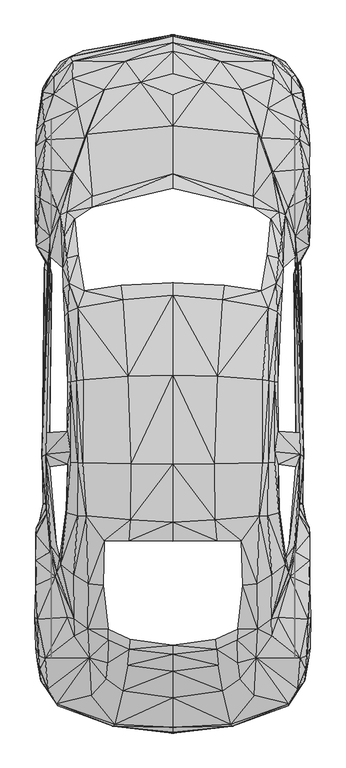
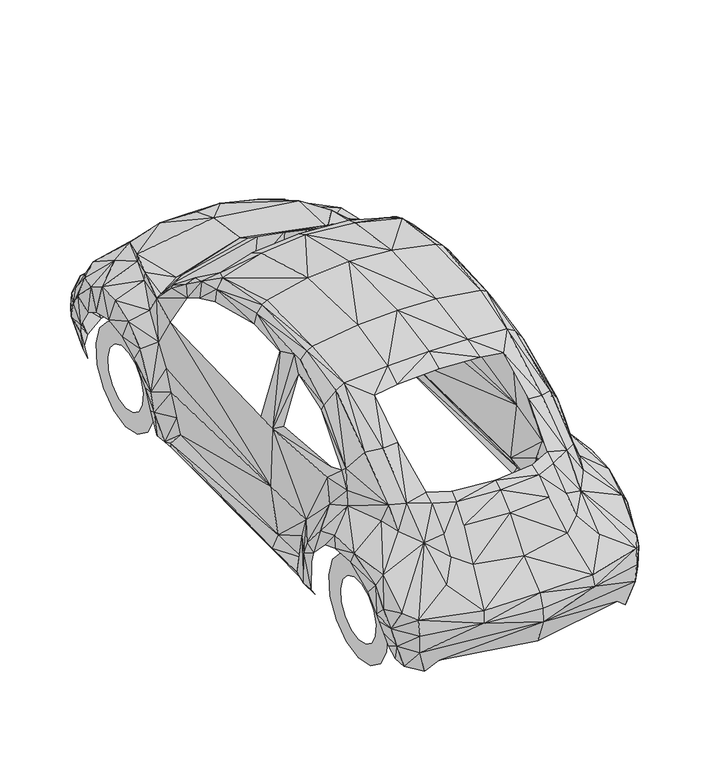
"""IFC4 building model written with IfcOpenShell, lengths in millimetres: proxy geometry."""

import ifcopenshell
import ifcopenshell.guid

model = None  # the IFC model being written
_history = None  # IfcOwnerHistory: only IFC2X3 demands one
_inside = {}  # id of a spatial element -> (the spatial element, [elements in it])
_under = {}  # id of a project, library or spatial element -> (it, [spatial elements below it])
_declared = {}  # id of a project -> (the project, [libraries it declares])
_typed = {}  # id of a type object -> (the type object, [elements of that type])
_made_of = {}  # id of a material, layer set ... -> (it, [elements and type objects made of it])


def new_model(schema):
    """Start an empty IFC model of exactly this schema.

    Asked for "IFC4X3", IfcOpenShell would pick the latest addendum, in which some entities
    have other attributes; the version numbers below select the first issue.
    IFC2X3 requires an IfcOwnerHistory on every rooted entity: one is made here for all.
    """
    global model, _history
    if schema == "IFC4X3":
        model = ifcopenshell.file(schema_version=(4, 3, 0, 0))
    else:
        model = ifcopenshell.file(schema=schema)
    _inside.clear()
    _under.clear()
    _declared.clear()
    _typed.clear()
    _made_of.clear()
    _history = None
    if model.schema == "IFC2X3":
        org = make("IfcOrganization", Name="unknown")
        user = make(
            "IfcPersonAndOrganization",
            ThePerson=make("IfcPerson", FamilyName="unknown"),
            TheOrganization=org,
        )
        app = make(
            "IfcApplication",
            ApplicationDeveloper=org,
            Version="unknown",
            ApplicationFullName="unknown",
            ApplicationIdentifier="unknown",
        )
        _history = make(
            "IfcOwnerHistory",
            OwningUser=user,
            OwningApplication=app,
            ChangeAction="ADDED",
            CreationDate=0,
        )
    return model


def make(cls, **values):
    """One entity of the class cls with the attributes given. An attribute that is None is left unset."""
    return model.create_entity(
        cls, **{name: value for name, value in values.items() if value is not None}
    )


def rooted(cls, **values):
    """An entity with a GlobalId (a new one), such as an element, a storey or a relation."""
    return make(cls, GlobalId=ifcopenshell.guid.new(), OwnerHistory=_history, **values)


def si_unit(unit_type, name, prefix=None):
    """IfcSIUnit, for example si_unit("LENGTHUNIT", "METRE", prefix="MILLI")."""
    return make("IfcSIUnit", UnitType=unit_type, Prefix=prefix, Name=name)


def assignment(units):
    """IfcUnitAssignment: the units of a project."""
    return None if units is None else make("IfcUnitAssignment", Units=units)


def point(xyz):
    """IfcCartesianPoint."""
    return None if xyz is None else make("IfcCartesianPoint", Coordinates=xyz)


def direction(xyz):
    """IfcDirection."""
    return None if xyz is None else make("IfcDirection", DirectionRatios=xyz)


def frame(location, z_axis=None, x_axis=None):
    """IfcAxis2Placement3D, a coordinate frame: its origin and axes. An axis left out is left unset."""
    return make(
        "IfcAxis2Placement3D",
        Location=point(location),
        Axis=direction(z_axis),
        RefDirection=direction(x_axis),
    )


def origin():
    """The frame at (0, 0, 0) with its axes left unset."""
    return frame((0.0, 0.0, 0.0))


def place(relative_to, where):
    """IfcLocalPlacement: puts the frame where relative to a parent placement (None: the world)."""
    return make(
        "IfcLocalPlacement", PlacementRelTo=relative_to, RelativePlacement=where
    )


def context(
    kind, dimensions, precision=None, world=None, true_north=None, identifier=None
):
    """IfcGeometricRepresentationContext, for example the 3D "Model" context."""
    return make(
        "IfcGeometricRepresentationContext",
        ContextIdentifier=identifier,
        ContextType=kind,
        CoordinateSpaceDimension=dimensions,
        Precision=precision,
        WorldCoordinateSystem=world,
        TrueNorth=true_north,
    )


def project(units=None, contexts=None):
    """IfcProject with its units and contexts."""
    return rooted(
        "IfcProject",
        Name="project",
        RepresentationContexts=contexts,
        UnitsInContext=assignment(units),
    )


def spatial(cls, under=None, at=None, **own):
    """A site, building, storey or space (cls), placed at a placement, below another one or the project."""
    s = rooted(cls, ObjectPlacement=at, **own)
    if under is not None:
        _under.setdefault(under.id(), (under, []))[1].append(s)
    return s


def point_list(points):
    """IfcCartesianPointList2D or 3D."""
    cls = (
        "IfcCartesianPointList2D" if len(points[0]) == 2 else "IfcCartesianPointList3D"
    )
    return make(cls, CoordList=points)


def triangles(points, corners, closed=None, point_numbers=None):
    """IfcTriangulatedFaceSet: each triangle names its three corners, points numbered from 1."""
    return make(
        "IfcTriangulatedFaceSet",
        Coordinates=point_list(points),
        Closed=closed,
        CoordIndex=corners,
        PnIndex=point_numbers,
    )


def shape(context_of_items, identifier, shape_type, items):
    """IfcShapeRepresentation: the items that make up one representation, for example the "Body"."""
    return make(
        "IfcShapeRepresentation",
        ContextOfItems=context_of_items,
        RepresentationIdentifier=identifier,
        RepresentationType=shape_type,
        Items=items,
    )


def source(mapping_origin, context_of_items, identifier, shape_type, items):
    """IfcRepresentationMap: a shape defined once, which mapped items show again and again."""
    return make(
        "IfcRepresentationMap",
        MappingOrigin=mapping_origin,
        MappedRepresentation=shape(context_of_items, identifier, shape_type, items),
    )


def transform(
    local_origin,
    x_axis=None,
    y_axis=None,
    z_axis=None,
    scale=None,
    scale2=None,
    scale3=None,
    uniform=True,
):
    """IfcCartesianTransformationOperator3D, or its non-uniform kind. x_axis, y_axis, z_axis: its Axis1, 2, 3."""
    if uniform:
        return make(
            "IfcCartesianTransformationOperator3D",
            Axis1=direction(x_axis),
            Axis2=direction(y_axis),
            LocalOrigin=point(local_origin),
            Scale=scale,
            Axis3=direction(z_axis),
        )
    return make(
        "IfcCartesianTransformationOperator3DnonUniform",
        Axis1=direction(x_axis),
        Axis2=direction(y_axis),
        LocalOrigin=point(local_origin),
        Scale=scale,
        Axis3=direction(z_axis),
        Scale2=scale2,
        Scale3=scale3,
    )


def mapped(mapping_source, mapping_target):
    """IfcMappedItem: shows the shape of a source again, moved by a transform."""
    return make(
        "IfcMappedItem", MappingSource=mapping_source, MappingTarget=mapping_target
    )


def made_of(thing, what):
    """Note that an element or type object is made of a material, layer set ...; save() writes the relation."""
    if what is not None:
        _made_of.setdefault(what.id(), (what, []))[1].append(thing)
    return thing


def element(
    cls,
    number,
    at=None,
    inside=None,
    cuts=None,
    type_object=None,
    material=None,
    context=None,
    identifier="Body",
    shape_type=None,
    held_by="IfcProductDefinitionShape",
    body=None,
    shapes=None,
    **own,
):
    """One element of the class cls, such as IfcWall. Its Tag is "e" and its number.

    at: its placement. inside: the storey or other place that contains it. cuts: it is an
    opening in that element (IfcRelVoidsElement). A single representation is given by context,
    identifier, shape_type and body (its items); several are given by shapes. held_by: the class
    of the entity that holds the representations. save() writes the other relations.
    """
    e = rooted(cls, Tag="e%d" % number, ObjectPlacement=at, **own)
    if body is not None:
        shapes = [shape(context, identifier, shape_type, body)]
    if shapes is not None:
        e.Representation = make(held_by, Representations=shapes)
    if inside is not None:
        _inside.setdefault(inside.id(), (inside, []))[1].append(e)
    if cuts is not None:
        rooted(
            "IfcRelVoidsElement", RelatingBuildingElement=cuts, RelatedOpeningElement=e
        )
    if type_object is not None:
        _typed.setdefault(type_object.id(), (type_object, []))[1].append(e)
    return made_of(e, material)


def aggregate(whole, parts):
    """IfcRelAggregates: a whole, such as a stair, and the parts it consists of."""
    return rooted("IfcRelAggregates", RelatingObject=whole, RelatedObjects=parts)


def save(model, path):
    """Write the relations noted so far, then the file.

    IfcRelAggregates (storeys below a building ...), IfcRelContainedInSpatialStructure (elements
    in a storey), IfcRelDefinesByType, IfcRelAssociatesMaterial and IfcRelDeclares: one each for
    every whole, place, type object, material and project.
    """
    for whole, parts in _under.values():
        aggregate(whole, parts)
    for where, things in _inside.values():
        rooted(
            "IfcRelContainedInSpatialStructure",
            RelatedElements=things,
            RelatingStructure=where,
        )
    for kind, things in _typed.values():
        rooted("IfcRelDefinesByType", RelatedObjects=things, RelatingType=kind)
    for what, things in _made_of.values():
        rooted("IfcRelAssociatesMaterial", RelatedObjects=things, RelatingMaterial=what)
    for by, libraries in _declared.values():
        rooted("IfcRelDeclares", RelatingContext=by, RelatedDefinitions=libraries)
    model.write(path)


def entourage_b6d71803(model_context):
    return source(origin(), model_context, "Body", "Tessellation", [
        triangles([(0.0, -749.071574, 521.742899), (0.0, -720.6335569, 604.033443), (0.0, -697.1470545, 283.3282728), (0.0, -553.0728908, 738.9057701), (0.0, -753.760096, 438.7513078), (0.0, -253.8386484, 1040.4185434), (0.0, -401.3744104, 922.0218458), (0.0, -305.0182643, 1012.9445663), (0.0, 339.5469707, 1396.6602436), (0.0, 448.9171117, 1443.1075539), (0.0, 778.6050184, 1505.0664173), (0.0, 1285.8879353, 1510.4998066), (0.0, 1742.2541199, 1403.2768456), (0.0, 2432.6093651, 967.8556761), (0.0, 3132.1224815, 632.4714237), (0.0, 3003.4724854, 772.0323092), (0.0, 2706.0784286, 929.3833151), (0.0, 3166.3445206, 220.3177475), (0.0, 2885.1195351, 859.3180424), (0.0, 3224.7104347, 396.0724085), (0.0, 3181.1549538, 556.1401817), (0.0, 3216.1220055, 530.6379956), (-338.407687, -715.988855, 523.3642027), (-331.2653541, -702.6243364, 593.8676027), (-244.8997318, -218.1706584, 1034.7659815), (-249.1500901, -276.1420835, 1003.6112698), (-257.9137267, -368.4231514, 912.4695219), (-249.2377301, 343.0524253, 1381.9373051), (-285.431542, -511.8838351, 760.9462852), (-240.2988317, 460.3974792, 1427.552108), (-236.6180971, 781.4093531, 1494.4185207), (-652.9344915, -590.6250681, 370.7455024), (-540.4532759, -593.7361791, 283.6349946), (-181.3633847, 2956.2803078, 806.8677555), (-253.3566466, 1279.4466133, 1497.179108), (-380.1225826, -444.6667534, 798.8051662), (-371.1837024, -353.5687892, 889.7717068), (-368.2478714, -222.3771967, 1004.1371098), (-368.6422514, -160.8126769, 1037.3951088), (-390.4198829, 343.0962453, 1359.9406826), (-282.758631, 1714.4296555, 1400.2533382), (-397.6060358, 87.5486986, 1216.1732225), (-463.4209502, -538.1309249, 705.2972111), (-271.6726434, 3074.4140854, 663.1441154), (-476.0843851, -323.2904411, 850.4230185), (-464.0343939, 3087.9975586, 214.4022838), (-482.5694544, 95.8303334, 1204.2108713), (-485.3738254, -159.4104914, 1005.7583771), (-569.1103566, 3073.5815781, 547.1136251), (-493.874542, 483.577278, 1392.2346416), (-583.6579788, 3101.4935371, 522.400199), (-510.6130915, 3134.4011215, 369.6500387), (-392.1287902, 2913.6012268, 783.2935404), (-656.7905062, -598.249421, 480.4223834), (-660.6903408, -585.2354261, 576.6470695), (-562.669071, -200.2052034, 880.3069502), (-560.43436, -101.5266881, 987.8367239), (-512.8040188, 786.711355, 1449.4173431), (-542.1621832, 485.1109417, 1360.7731899), (-564.3779783, 148.6750366, 1173.0999796), (-608.8972449, -561.6174273, 218.6088402), (-511.6209151, 1259.3779255, 1457.1731197), (-542.7756269, 785.2215477, 1431.62715), (-459.1705556, 2305.6242382, 949.6711029), (-601.448172, -92.8068806, 893.8030014), (-504.0842022, 1766.485635, 1321.8626289), (-546.4125415, 1253.8568962, 1442.4940739), (-603.419963, 501.4989312, 1279.4466133), (-580.5469042, 789.4281223, 1379.6588104), (-607.6265376, 520.2092717, 1235.979063), (-601.6672357, 965.9276688, 1337.9439148), (-712.9654203, -503.4269022, 590.8879881), (-543.0385468, 1671.1811325, 1362.0876446), (-490.9387473, 2659.6751564, 894.1096687), (-600.0459683, 778.6050184, 1308.1913704), (-598.468521, 1244.567347, 1344.6919041), (-640.008173, 208.2677382, 1063.2039986), (-680.8904886, -470.5194632, 218.8279221), (-538.8320086, 1968.0492039, 1181.3815962), (-581.3794478, 1249.0807343, 1402.7071129), (-644.9596149, 243.4537263, 1028.9820322), (-502.6819985, 2637.5907486, 866.5918716), (-661.1722881, 162.3463042, 955.8933249), (-690.7057325, -396.8611321, 226.9780968), (-559.5141764, 2176.4921494, 1011.849139), (-670.6370447, 140.9630437, 873.2960409), (-662.9250154, 324.5173285, 1010.1402317), (-615.5138105, 1624.5585423, 1262.9710201), (-595.0507064, 1647.2125374, 1322.1692963), (-589.8363444, 1810.8295853, 1270.2885967), (-729.3095535, -482.3065707, 373.4622334), (-752.0950087, -454.7449536, 476.8731088), (-694.5179272, 315.5346282, 958.4347395), (-727.0748789, -327.5407994, 736.0575428), (-623.3572271, 1778.4479862, 1193.6068674), (-565.0352783, 2447.3761963, 934.772957), (-732.2892408, -394.1444012, 324.3420848), (-571.3888876, 2445.9300636, 884.7764448), (-699.1188818, 280.0419, 808.1822828), (-604.6907066, 1951.091518, 1171.2596123), (-587.8206971, 3015.1281693, 200.2490234), (-691.4068525, 574.6314222, 283.8102746), (-750.7366613, -381.2618663, 397.2555121), (-627.9581818, 1897.5456585, 1125.469602), (-602.8941593, 2217.067725, 949.8025629), (-619.8517725, 2074.2206303, 1075.9989298), (-710.949773, 550.0056361, 448.9171117), (-765.2404999, -360.5796985, 467.8465522), (-699.9952091, 763.1372126, 1016.187101), (-763.8382599, -313.4313409, 671.3819847), (-758.3609779, -391.2086065, 565.0352783), (-717.9606823, 496.6350929, 583.9647188), (-723.2188643, 461.5367629, 181.1004829), (-718.1359623, 554.8256181, 180.0050374), (-771.9884892, -342.0446016, 511.3579951), (-574.3247186, 2977.4883156, 683.0814159), (-731.2813808, 376.1351443, 185.3070212), (-541.5487395, 2807.2984131, 783.4688204), (-640.183453, 2199.9349045, 944.8949409), (-739.4315374, 551.9336434, 222.5524767), (-782.1104731, -268.9559124, 609.6421486), (-772.8209965, -106.1275973, 756.4330433), (-722.2110043, 958.3909195, 967.6803961), (-703.8074038, 810.6798775, 292.5300731), (-725.3221516, 835.6124399, 965.0075214), (-758.2734106, 370.7893224, 225.6197495), (-785.8788477, -90.0025187, 695.9639145), (-780.1824657, 80.9759712, 676.0266867), (-779.9195457, 89.5643369, 755.1622633), (-760.9024652, 444.4038334, 223.2973804), (-778.6050184, 192.2302905, 631.3321764), (-659.0690735, 2238.6701855, 850.3353785), (-771.4626492, 345.7253363, 426.4822165), (-774.7051838, 315.3593482, 502.0247349), (-781.7160931, 232.4115588, 696.3582945), (-719.7134096, 810.6360575, 185.964303), (-690.3552452, 1860.1249775, 294.1075386), (-697.1470545, 1960.2056419, 957.0763922), (-780.2701057, 377.6249516, 532.7412829), (-778.6488384, 417.2804163, 440.0220151), (-746.0043194, 820.1446341, 614.0678232), (-678.173794, 2886.7845497, 671.0752447), (-698.0233818, 2078.8215122, 757.3970106), (-640.051993, 3071.2590454, 391.9535102), (-713.4911877, 1919.5424263, 537.0792812), (-718.6617296, 1911.1731697, 193.1066541), (-705.6477711, 1983.2978371, 648.7279896), (-731.2813808, 1892.3751892, 233.5070043), (-674.4492393, 2909.8331429, 198.8030179), (-727.3815462, 2040.3052586, 190.0832013), (-722.1233643, 1974.7095531, 190.0832013), (-678.6557413, 2984.5867195, 540.8914395), (-700.0828491, 2817.5957497, 206.339749), (-696.8403145, 2993.6132034, 517.7554607), (-724.1390116, 2626.4609047, 788.1135223), (-699.5570091, 1883.7430126, 390.6389465), (-765.4157072, 2043.5477932, 362.8144094), (-742.2797647, 2459.3385475, 809.2338902), (-716.646155, 2967.1470863, 449.8372953), (-766.9494072, 2002.4902702, 376.836228), (-732.0701408, 2726.2786491, 728.1264862), (-771.6817492, 2086.0077015, 482.5694544), (-759.6317579, 2292.9609123, 780.6206657), (-769.5346418, 2144.7677776, 699.5131891), (-778.0791784, 2024.2239727, 495.1452856), (-742.9808121, 2848.7944267, 602.2807157), (-782.6363131, 2187.1400459, 616.8721579), (-740.0450174, 2920.3932541, 427.6653202), (-741.6224648, 2898.4841263, 520.1654517), (-750.9119413, 2806.3345184, 398.3509395), (-782.7677004, 2314.7385075, 681.1972286), (-778.6050184, 2464.4652695, 693.9921598), (-760.4204453, 2788.5004326, 455.5336773), (-774.7051838, 2684.6515388, 603.0694393), (-780.8835857, 2591.1871857, 666.7810301), (-743.1122721, 809.6720901, 220.5368294), (0.0, 2350.6693085, 1011.849139), (-459.1705556, 2241.4745201, 1007.2920044), (0.0, 1813.2396126, 1369.1424465), (-294.1513586, 1797.0267941, 1360.0720699), (-580.6345442, 850.2915585, 1382.7260651), (338.407687, -715.988855, 523.3642027), (331.2653541, -702.6243364, 593.8676027), (244.8997318, -218.1706584, 1034.7659815), (249.1500901, -276.1420835, 1003.6112698), (257.9137267, -368.4231514, 912.4695219), (249.2377301, 343.0524253, 1381.9373051), (285.431542, -511.8838351, 760.9462852), (240.2988317, 460.3974792, 1427.552108), (236.6180971, 781.4093531, 1494.4185207), (652.9344915, -590.6250681, 370.7455024), (540.4532759, -593.7361791, 283.6349946), (181.3633847, 2956.2803078, 806.8677555), (253.3566466, 1279.4466133, 1497.179108), (380.1225826, -444.6667534, 798.8051662), (371.1837024, -353.5687892, 889.7717068), (368.2478714, -222.3771967, 1004.1371098), (368.6422514, -160.8126769, 1037.3951088), (390.4198829, 343.0962453, 1359.9406826), (282.758631, 1714.4296555, 1400.2533382), (397.6060358, 87.5486986, 1216.1732225), (463.4209502, -538.1309249, 705.2972111), (271.6726434, 3074.4140854, 663.1441154), (476.0843851, -323.2904411, 850.4230185), (464.0343939, 3087.9975586, 214.4022838), (482.5694544, 95.8303334, 1204.2108713), (485.3738254, -159.4104914, 1005.7583771), (569.1103566, 3073.5815781, 547.1136251), (493.874542, 483.577278, 1392.2346416), (583.6579788, 3101.4935371, 522.400199), (510.6130915, 3134.4011215, 369.6500387), (392.1287902, 2913.6012268, 783.2935404), (656.7905062, -598.249421, 480.4223834), (660.6903408, -585.2354261, 576.6470695), (562.669071, -200.2052034, 880.3069502), (560.43436, -101.5266881, 987.8367239), (512.8040188, 786.711355, 1449.4173431), (542.1621832, 485.1109417, 1360.7731899), (564.3779783, 148.6750366, 1173.0999796), (608.8972449, -561.6174273, 218.6088402), (511.6209151, 1259.3779255, 1457.1731197), (542.7756269, 785.2215477, 1431.62715), (459.1705556, 2305.6242382, 949.6711029), (601.448172, -92.8068806, 893.8030014), (504.0842022, 1766.485635, 1321.8626289), (546.4125415, 1253.8568962, 1442.4940739), (603.419963, 501.4989312, 1279.4466133), (580.5469042, 789.4281223, 1379.6588104), (607.6265376, 520.2092717, 1235.979063), (601.6672357, 965.9276688, 1337.9439148), (712.9654203, -503.4269022, 590.8879881), (543.0385468, 1671.1811325, 1362.0876446), (490.9387473, 2659.6751564, 894.1096687), (600.0459683, 778.6050184, 1308.1913704), (598.468521, 1244.567347, 1344.6919041), (640.008173, 208.2677382, 1063.2039986), (680.9343086, -470.5194632, 218.8279221), (538.8320086, 1968.0492039, 1181.3815962), (581.3794478, 1249.0807343, 1402.7071129), (644.9596149, 243.4537263, 1028.9820322), (502.6819985, 2637.5907486, 866.5918716), (661.1722881, 162.3463042, 955.8933249), (690.7057325, -396.8611321, 226.9780968), (559.5141764, 2176.4921494, 1011.849139), (670.6370447, 140.9630437, 873.2960409), (662.9250154, 324.5173285, 1010.1402317), (615.5138105, 1624.5585423, 1262.9710201), (595.0507064, 1647.2125374, 1322.1692963), (589.8363444, 1810.8295853, 1270.2885967), (729.3095535, -482.3065707, 373.4622334), (752.0950087, -454.7449536, 476.8731088), (694.5179272, 315.5346282, 958.4347395), (727.0748789, -327.5407994, 736.0575428), (623.3572271, 1778.4479862, 1193.6068674), (565.0352783, 2447.3761963, 934.772957), (732.2892408, -394.1444012, 324.3420848), (571.3888876, 2445.9300636, 884.7764448), (699.1188818, 280.0419, 808.1822828), (604.6907066, 1951.091518, 1171.2596123), (587.8206971, 3015.1281693, 200.2490234), (691.4068525, 574.6314222, 283.8102746), (750.7366613, -381.2618663, 397.2555121), (627.9581818, 1897.5456585, 1125.469602), (602.8941593, 2217.067725, 949.8025629), (619.8517725, 2074.2206303, 1075.9989298), (710.949773, 550.0056361, 448.9171117), (765.2404999, -360.5796985, 467.8465522), (699.9952091, 763.1372126, 1016.187101), (763.8382599, -313.4313409, 671.3819847), (758.3609779, -391.2086065, 565.0352783), (717.9606823, 496.6350929, 583.9647188), (723.2188643, 461.5367629, 181.1004829), (718.1359623, 554.8256181, 180.0050374), (771.9884892, -342.0446016, 511.3579951), (574.3247186, 2977.4883156, 683.0814159), (731.2813808, 376.1351443, 185.3070212), (541.5487395, 2807.2984131, 783.4688204), (640.183453, 2199.9349045, 944.8949409), (739.4315374, 551.9336434, 222.5524767), (782.1104731, -268.9559124, 609.6421486), (772.8209965, -106.1275973, 756.4330433), (722.2548243, 958.3909195, 967.6803961), (703.8074038, 810.6798775, 292.5300731), (725.3221516, 835.6124399, 965.0075214), (758.2734106, 370.7893224, 225.6197495), (785.8788477, -90.0025187, 695.9639145), (780.1824657, 80.9759712, 676.0266867), (779.9633657, 89.5643369, 755.1622633), (760.9024652, 444.4038334, 223.2973804), (778.6050184, 192.2302905, 631.3321764), (659.0690735, 2238.6701855, 850.3353785), (771.4626492, 345.7253363, 426.4822165), (774.7051838, 315.3593482, 502.0247349), (781.7160931, 232.4115588, 696.3582945), (719.7134096, 810.6360575, 185.964303), (690.3552452, 1860.1249775, 294.1075386), (697.1470545, 1960.2056419, 957.0763922), (780.2701057, 377.6249516, 532.7412829), (778.6488384, 417.2804163, 440.0220151), (746.0043194, 820.1446341, 614.0678232), (678.173794, 2886.7845497, 671.0752447), (698.0233818, 2078.8215122, 757.3970106), (640.051993, 3071.2590454, 391.9535102), (713.4911877, 1919.5424263, 537.0792812), (718.6617296, 1911.1731697, 193.1066541), (705.6477711, 1983.2978371, 648.7279896), (731.2813808, 1892.3751892, 233.5070043), (674.4492393, 2909.8331429, 198.8030179), (727.3815462, 2040.3052586, 190.0832013), (722.1233643, 1974.7095531, 190.0832013), (678.6557413, 2984.5867195, 540.8914395), (700.0828491, 2817.5957497, 206.339749), (696.8403145, 2993.6132034, 517.7554607), (724.1390116, 2626.4609047, 788.1135223), (699.5570091, 1883.7430126, 390.6389465), (765.4157072, 2043.5477932, 362.8144094), (742.2797647, 2459.3385475, 809.2338902), (716.646155, 2967.1470863, 449.8372953), (766.9494072, 2002.4902702, 376.836228), (732.0701408, 2726.2786491, 728.1264862), (771.7255692, 2086.0077015, 482.5694544), (759.6317579, 2292.9609123, 780.6206657), (769.5346418, 2144.7677776, 699.5131891), (778.0791784, 2024.2239727, 495.1452856), (742.9808121, 2848.7944267, 602.2807157), (782.6363131, 2187.1400459, 616.8721579), (740.0450174, 2920.3932541, 427.6653202), (741.6224648, 2898.4841263, 520.1654517), (750.9119413, 2806.3345184, 398.3509395), (782.7677004, 2314.7385075, 681.1972286), (778.6050184, 2464.4652695, 693.9921598), (760.4204453, 2788.5004326, 455.5336773), (774.7051838, 2684.6515388, 603.0694393), (780.8835857, 2591.1871857, 666.7810301), (743.1122721, 809.6720901, 220.5368294), (459.1705556, 2241.4745201, 1007.2920044), (294.1513586, 1797.0267941, 1360.0720699), (580.6345442, 850.2915585, 1382.7260651), (-693.6415998, 2431.9082451, 0.0015117), (-693.6415998, 2431.9082451, 117.9161946), (-693.6415998, 2558.8496246, 26.9935036), (-693.6415998, 2509.4663017, 134.3918332), (-693.6415998, 2663.794091, 103.2371124), (-693.6415998, 2573.6600578, 181.0143508), (-693.6415998, 2728.6886765, 215.6307153), (-693.6415998, 2613.3154861, 249.7212399), (-693.6415998, 2742.2724403, 344.6752187), (-693.6415998, 2621.5972481, 328.5939328), (-693.6415998, 2702.1786667, 468.1109982), (-693.6415998, 2597.102813, 404.0050275), (-693.6415998, 2615.3310608, 564.5109644), (-693.6415998, 2544.0389008, 462.9404563), (-693.6415998, 2496.8028305, 617.3118113), (-693.6415998, 2471.5636734, 495.2344517), (-693.6415998, 2367.0135143, 617.3118113), (-693.6415998, 2392.2528168, 495.2344517), (-693.6415998, 2248.4854294, 564.5109644), (-693.6415998, 2319.7775894, 462.9404563), (-693.6415998, 2161.6378235, 468.1109982), (-693.6415998, 2266.7138226, 404.0050275), (-693.6415998, 2121.5441952, 344.6752187), (-693.6415998, 2242.2193874, 328.5939328), (-693.6415998, 2135.1278137, 215.6307153), (-693.6415998, 2250.501004, 249.7212399), (-693.6415998, 2200.0225445, 103.2371124), (-693.6415998, 2290.1564323, 181.0143508), (-693.6415998, 2304.9670109, 26.9935036), (-693.6415998, 2354.3500431, 134.3918332), (693.6415998, 2431.9082451, 0.0015117), (693.6415998, 2431.9082451, 117.9161946), (693.6415998, 2304.9670109, 26.9935036), (693.6415998, 2354.3500431, 134.3918332), (693.6415998, 2200.0225445, 103.2371124), (693.6415998, 2290.1564323, 181.0143508), (693.6415998, 2135.1278137, 215.6307153), (693.6415998, 2250.501004, 249.7212399), (693.6415998, 2121.5441952, 344.6752187), (693.6415998, 2242.2193874, 328.5939328), (693.6415998, 2161.6378235, 468.1109982), (693.6415998, 2266.7138226, 404.0050275), (693.6415998, 2248.4854294, 564.5109644), (693.6415998, 2319.7775894, 462.9404563), (693.6415998, 2367.0135143, 617.3118113), (693.6415998, 2392.2528168, 495.2344517), (693.6415998, 2496.8028305, 617.3118113), (693.6415998, 2471.5636734, 495.2344517), (693.6415998, 2615.3310608, 564.5109644), (693.6415998, 2544.0389008, 462.9404563), (693.6415998, 2702.1786667, 468.1109982), (693.6415998, 2597.102813, 404.0050275), (693.6415998, 2742.2724403, 344.6752187), (693.6415998, 2621.5972481, 328.5939328), (693.6415998, 2728.6886765, 215.6307153), (693.6415998, 2613.3154861, 249.7212399), (693.6415998, 2663.794091, 103.2371124), (693.6415998, 2573.6600578, 181.0143508), (693.6415998, 2558.8496246, 26.9935036), (693.6415998, 2509.4663017, 134.3918332), (-693.6415998, -13.5836322, 0.0015117), (-693.6415998, -13.5836322, 117.9161946), (-693.6415998, 113.3575975, 26.9935036), (-693.6415998, 63.9745244, 134.3918332), (-693.6415998, 218.3021002, 103.2371124), (-693.6415998, 128.1681397, 181.0143508), (-693.6415998, 283.1968128, 215.6307153), (-693.6415998, 167.8235862, 249.7212399), (-693.6415998, 296.7804495, 344.6752187), (-693.6415998, 176.1052209, 328.5939328), (-693.6415998, 256.6868212, 468.1109982), (-693.6415998, 151.6108585, 404.0050275), (-693.6415998, 169.8392153, 564.5109644), (-693.6415998, 98.5470553, 462.9404563), (-693.6415998, 51.3110713, 617.3118113), (-693.6415998, 26.0718098, 495.2344517), (-693.6415998, -78.4783402, 617.3118113), (-693.6415998, -53.2390741, 495.2344517), (-693.6415998, -197.0064706, 564.5109644), (-693.6415998, -125.7143196, 462.9404563), (-693.6415998, -283.8540765, 468.1109982), (-693.6415998, -178.7781137, 404.0050275), (-693.6415998, -323.9477048, 344.6752187), (-693.6415998, -203.2724762, 328.5939328), (-693.6415998, -310.3640862, 215.6307153), (-693.6415998, -194.9908414, 249.7212399), (-693.6415998, -245.4693737, 103.2371124), (-693.6415998, -155.335395, 181.0143508), (-693.6415998, -140.5248618, 26.9935036), (-693.6415998, -91.1417842, 134.3918332), (693.6415998, -13.5836322, 0.0015117), (693.6415998, -13.5836322, 117.9161946), (693.6415998, -140.5248618, 26.9935036), (693.6415998, -91.1417842, 134.3918332), (693.6415998, -245.4693737, 103.2371124), (693.6415998, -155.335395, 181.0143508), (693.6415998, -310.3640862, 215.6307153), (693.6415998, -194.9908414, 249.7212399), (693.6415998, -323.9477048, 344.6752187), (693.6415998, -203.2724762, 328.5939328), (693.6415998, -283.8540765, 468.1109982), (693.6415998, -178.7781137, 404.0050275), (693.6415998, -197.0064706, 564.5109644), (693.6415998, -125.7143196, 462.9404563), (693.6415998, -78.4783402, 617.3118113), (693.6415998, -53.2390741, 495.2344517), (693.6415998, 51.3110713, 617.3118113), (693.6415998, 26.0718098, 495.2344517), (693.6415998, 169.8392153, 564.5109644), (693.6415998, 98.5470553, 462.9404563), (693.6415998, 256.6868212, 468.1109982), (693.6415998, 151.6108585, 404.0050275), (693.6415998, 296.7804495, 344.6752187), (693.6415998, 176.1052209, 328.5939328), (693.6415998, 283.1968128, 215.6307153), (693.6415998, 167.8235862, 249.7212399), (693.6415998, 218.3021002, 103.2371124), (693.6415998, 128.1681397, 181.0143508), (693.6415998, 113.3575975, 26.9935036), (693.6415998, 63.9745244, 134.3918332)], [[67, 58, 62], [67, 63, 58], [53, 82, 74], [34, 17, 19], [118, 82, 53], [155, 98, 82], [155, 158, 98], [34, 74, 17], [172, 155, 175], [172, 158, 155], [159, 168, 169], [166, 142, 169], [175, 161, 174], [175, 155, 161], [142, 152, 169], [154, 169, 152], [160, 145, 165], [160, 156, 145], [162, 160, 165], [162, 157, 160], [34, 53, 74], [74, 96, 64], [82, 96, 74], [82, 98, 96], [36, 29, 27], [29, 43, 24], [23, 55, 54], [23, 24, 55], [23, 2, 24], [23, 1, 2], [5, 1, 23], [134, 140, 133], [134, 139, 140], [117, 130, 113], [117, 126, 130], [113, 120, 114], [113, 130, 120], [140, 112, 107], [140, 139, 112], [92, 108, 103], [91, 103, 97], [91, 92, 103], [61, 33, 32], [84, 78, 91], [84, 91, 97], [38, 26, 25], [77, 81, 83], [63, 50, 58], [63, 59, 50], [68, 63, 69], [68, 59, 63], [181, 75, 69], [74, 64, 17], [64, 14, 17], [64, 178, 14], [178, 177, 14], [34, 19, 16], [53, 34, 44], [21, 44, 15], [21, 49, 44], [44, 34, 15], [34, 16, 15], [22, 49, 21], [22, 51, 49], [20, 51, 22], [20, 52, 51], [18, 52, 20], [18, 46, 52], [51, 152, 49], [51, 154, 152], [101, 144, 46], [144, 52, 46], [101, 159, 144], [159, 169, 154], [101, 168, 159], [101, 149, 168], [149, 170, 168], [149, 153, 170], [168, 173, 169], [168, 170, 173], [49, 142, 116], [49, 152, 142], [49, 116, 44], [116, 142, 118], [161, 155, 118], [155, 82, 118], [142, 161, 118], [158, 132, 98], [158, 163, 132], [172, 163, 158], [172, 171, 163], [98, 119, 96], [98, 132, 119], [171, 164, 163], [171, 167, 164], [163, 143, 132], [163, 164, 143], [96, 105, 64], [96, 119, 105], [105, 178, 64], [105, 85, 178], [167, 165, 164], [167, 162, 165], [165, 143, 164], [165, 147, 143], [150, 160, 157], [150, 151, 160], [151, 156, 160], [151, 148, 137], [13, 35, 12], [13, 41, 35], [12, 31, 11], [12, 35, 31], [35, 58, 31], [35, 62, 58], [11, 30, 10], [11, 31, 30], [31, 50, 30], [31, 58, 50], [10, 28, 9], [10, 30, 28], [30, 40, 28], [30, 50, 40], [125, 75, 181], [125, 109, 75], [125, 87, 109], [125, 93, 87], [123, 141, 125], [137, 141, 156], [137, 124, 141], [148, 124, 137], [148, 176, 124], [146, 176, 148], [146, 136, 176], [141, 112, 125], [112, 93, 125], [112, 99, 93], [124, 112, 141], [124, 107, 112], [124, 102, 107], [176, 102, 124], [176, 120, 102], [136, 120, 176], [136, 114, 120], [47, 40, 50], [47, 42, 40], [48, 42, 47], [48, 39, 42], [57, 47, 60], [57, 48, 47], [60, 50, 59], [60, 47, 50], [59, 77, 60], [59, 68, 77], [77, 57, 60], [77, 83, 57], [70, 77, 68], [70, 81, 77], [75, 68, 69], [75, 70, 68], [26, 6, 25], [26, 8, 6], [27, 8, 26], [27, 7, 8], [29, 7, 27], [29, 4, 7], [24, 4, 29], [24, 2, 4], [32, 5, 23], [33, 5, 32], [33, 3, 5], [32, 23, 54], [55, 45, 72], [55, 24, 43], [99, 83, 93], [99, 86, 83], [135, 86, 99], [135, 129, 86], [131, 129, 135], [131, 128, 129], [93, 81, 87], [93, 83, 81], [128, 122, 129], [128, 127, 122], [122, 86, 129], [122, 65, 86], [86, 57, 83], [86, 65, 57], [127, 110, 122], [127, 121, 110], [110, 94, 122], [122, 94, 65], [94, 56, 65], [56, 57, 65], [56, 48, 57], [56, 45, 48], [94, 45, 56], [115, 110, 121], [115, 111, 110], [111, 94, 110], [111, 72, 94], [108, 92, 115], [92, 111, 115], [78, 32, 91], [78, 61, 32], [45, 38, 48], [45, 37, 38], [37, 26, 38], [37, 27, 26], [36, 27, 37], [134, 135, 139], [134, 131, 135], [139, 99, 112], [139, 135, 99], [126, 140, 130], [126, 133, 140], [130, 107, 120], [130, 140, 107], [120, 107, 102], [45, 36, 37], [92, 55, 72], [92, 54, 55], [91, 54, 92], [91, 32, 54], [92, 72, 111], [72, 45, 94], [43, 45, 55], [43, 36, 45], [43, 29, 36], [79, 90, 66], [79, 100, 90], [90, 73, 66], [85, 100, 79], [85, 106, 100], [85, 105, 106], [105, 119, 106], [95, 88, 89], [90, 89, 73], [89, 67, 73], [73, 67, 62], [89, 76, 80], [89, 80, 67], [88, 76, 89], [73, 35, 41], [73, 62, 35], [69, 63, 181], [80, 63, 67], [76, 71, 80], [146, 148, 151], [141, 147, 145], [151, 137, 156], [173, 166, 169], [173, 174, 166], [166, 174, 161], [166, 161, 142], [52, 144, 51], [144, 154, 51], [144, 159, 154], [116, 53, 44], [116, 118, 53], [119, 143, 138], [143, 119, 132], [143, 147, 138], [138, 104, 119], [119, 104, 106], [104, 100, 106], [104, 90, 100], [104, 95, 90], [95, 89, 90], [25, 39, 38], [38, 39, 48], [141, 138, 147], [156, 141, 145], [165, 145, 147], [41, 179, 180], [41, 13, 179], [66, 41, 180], [66, 73, 41], [123, 125, 71], [125, 181, 71], [71, 181, 80], [181, 63, 80], [138, 141, 123], [226, 221, 217], [226, 217, 222], [212, 233, 241], [193, 19, 17], [277, 212, 241], [314, 241, 257], [314, 257, 317], [193, 17, 233], [331, 334, 314], [331, 314, 317], [318, 328, 327], [325, 328, 301], [334, 333, 320], [334, 320, 314], [301, 328, 311], [313, 311, 328], [319, 324, 304], [319, 304, 315], [321, 324, 319], [321, 319, 316], [193, 233, 212], [233, 223, 255], [241, 233, 255], [241, 255, 257], [195, 186, 188], [188, 183, 202], [182, 213, 214], [182, 214, 183], [182, 183, 2], [182, 2, 1], [5, 182, 1], [293, 292, 299], [293, 299, 298], [276, 272, 289], [276, 289, 285], [272, 273, 279], [272, 279, 289], [299, 266, 271], [299, 271, 298], [251, 262, 267], [250, 256, 262], [250, 262, 251], [220, 191, 192], [243, 250, 237], [243, 256, 250], [197, 184, 185], [236, 242, 240], [222, 217, 209], [222, 209, 218], [227, 228, 222], [227, 222, 218], [338, 228, 234], [233, 17, 223], [223, 17, 14], [223, 14, 336], [336, 14, 177], [193, 16, 19], [212, 203, 193], [21, 15, 203], [21, 203, 208], [203, 15, 193], [193, 15, 16], [22, 21, 208], [22, 208, 210], [20, 22, 210], [20, 210, 211], [18, 20, 211], [18, 211, 205], [210, 208, 311], [210, 311, 313], [260, 205, 303], [303, 205, 211], [260, 303, 318], [318, 313, 328], [260, 318, 327], [260, 327, 308], [308, 327, 329], [308, 329, 312], [327, 328, 332], [327, 332, 329], [208, 275, 301], [208, 301, 311], [208, 203, 275], [275, 277, 301], [320, 277, 314], [314, 277, 241], [301, 277, 320], [317, 257, 291], [317, 291, 322], [331, 317, 322], [331, 322, 330], [257, 255, 278], [257, 278, 291], [330, 322, 323], [330, 323, 326], [322, 291, 302], [322, 302, 323], [255, 223, 264], [255, 264, 278], [264, 223, 336], [264, 336, 244], [326, 323, 324], [326, 324, 321], [324, 323, 302], [324, 302, 306], [309, 316, 319], [309, 319, 310], [310, 319, 315], [310, 296, 307], [13, 12, 194], [13, 194, 200], [12, 11, 190], [12, 190, 194], [194, 190, 217], [194, 217, 221], [11, 10, 189], [11, 189, 190], [190, 189, 209], [190, 209, 217], [10, 9, 187], [10, 187, 189], [189, 187, 199], [189, 199, 209], [284, 338, 234], [284, 234, 268], [284, 268, 246], [284, 246, 252], [282, 284, 300], [296, 315, 300], [296, 300, 283], [307, 296, 283], [307, 283, 335], [305, 307, 335], [305, 335, 295], [300, 284, 271], [271, 284, 252], [271, 252, 258], [283, 300, 271], [283, 271, 266], [283, 266, 261], [335, 283, 261], [335, 261, 279], [295, 335, 279], [295, 279, 273], [206, 209, 199], [206, 199, 201], [207, 206, 201], [207, 201, 198], [216, 219, 206], [216, 206, 207], [219, 218, 209], [219, 209, 206], [218, 219, 236], [218, 236, 227], [236, 219, 216], [236, 216, 242], [229, 227, 236], [229, 236, 240], [234, 228, 227], [234, 227, 229], [185, 184, 6], [185, 6, 8], [186, 185, 8], [186, 8, 7], [188, 186, 7], [188, 7, 4], [183, 188, 4], [183, 4, 2], [191, 182, 5], [192, 191, 5], [192, 5, 3], [191, 213, 182], [214, 231, 204], [214, 202, 183], [258, 252, 242], [258, 242, 245], [294, 258, 245], [294, 245, 288], [290, 294, 288], [290, 288, 287], [252, 246, 240], [252, 240, 242], [287, 288, 281], [287, 281, 286], [281, 288, 245], [281, 245, 224], [245, 242, 216], [245, 216, 224], [286, 281, 269], [286, 269, 280], [269, 281, 253], [281, 224, 253], [253, 224, 215], [215, 224, 216], [215, 216, 207], [215, 207, 204], [253, 215, 204], [274, 280, 269], [274, 269, 270], [270, 269, 253], [270, 253, 231], [267, 274, 251], [251, 274, 270], [237, 250, 191], [237, 191, 220], [204, 207, 197], [204, 197, 196], [196, 197, 185], [196, 185, 186], [195, 196, 186], [293, 298, 294], [293, 294, 290], [298, 271, 258], [298, 258, 294], [285, 289, 299], [285, 299, 292], [289, 279, 266], [289, 266, 299], [279, 261, 266], [204, 196, 195], [251, 231, 214], [251, 214, 213], [250, 251, 213], [250, 213, 191], [251, 270, 231], [231, 253, 204], [202, 214, 204], [202, 204, 195], [202, 195, 188], [238, 225, 249], [238, 249, 259], [249, 225, 232], [244, 238, 259], [244, 259, 265], [244, 265, 264], [264, 265, 278], [254, 248, 247], [249, 232, 248], [248, 232, 226], [232, 221, 226], [248, 239, 235], [248, 226, 239], [247, 248, 235], [232, 200, 194], [232, 194, 221], [228, 338, 222], [239, 226, 222], [235, 239, 230], [305, 310, 307], [300, 304, 306], [310, 315, 296], [332, 328, 325], [332, 325, 333], [325, 320, 333], [325, 301, 320], [211, 210, 303], [303, 210, 313], [303, 313, 318], [275, 203, 212], [275, 212, 277], [278, 297, 302], [302, 291, 278], [302, 297, 306], [297, 278, 263], [278, 265, 263], [263, 265, 259], [263, 259, 249], [263, 249, 254], [254, 249, 248], [184, 197, 198], [197, 207, 198], [300, 306, 297], [315, 304, 300], [324, 306, 304], [200, 337, 179], [200, 179, 13], [225, 337, 200], [225, 200, 232], [282, 230, 284], [284, 230, 338], [230, 239, 338], [338, 239, 222], [297, 282, 300], [339, 342, 341], [339, 340, 342], [341, 344, 343], [341, 342, 344], [343, 346, 345], [343, 344, 346], [345, 348, 347], [345, 346, 348], [347, 350, 349], [347, 348, 350], [349, 352, 351], [349, 350, 352], [351, 354, 353], [351, 352, 354], [353, 356, 355], [353, 354, 356], [355, 358, 357], [355, 356, 358], [357, 360, 359], [357, 358, 360], [359, 362, 361], [359, 360, 362], [361, 364, 363], [361, 362, 364], [363, 366, 365], [363, 364, 366], [365, 368, 367], [365, 366, 368], [367, 340, 339], [367, 368, 340], [369, 372, 371], [369, 370, 372], [371, 374, 373], [371, 372, 374], [373, 376, 375], [373, 374, 376], [375, 378, 377], [375, 376, 378], [377, 380, 379], [377, 378, 380], [379, 382, 381], [379, 380, 382], [381, 384, 383], [381, 382, 384], [383, 386, 385], [383, 384, 386], [385, 388, 387], [385, 386, 388], [387, 390, 389], [387, 388, 390], [389, 392, 391], [389, 390, 392], [391, 394, 393], [391, 392, 394], [393, 396, 395], [393, 394, 396], [395, 398, 397], [395, 396, 398], [397, 370, 369], [397, 398, 370], [399, 402, 401], [399, 400, 402], [401, 404, 403], [401, 402, 404], [403, 406, 405], [403, 404, 406], [405, 408, 407], [405, 406, 408], [407, 410, 409], [407, 408, 410], [409, 412, 411], [409, 410, 412], [411, 414, 413], [411, 412, 414], [413, 416, 415], [413, 414, 416], [415, 418, 417], [415, 416, 418], [417, 420, 419], [417, 418, 420], [419, 422, 421], [419, 420, 422], [421, 424, 423], [421, 422, 424], [423, 426, 425], [423, 424, 426], [425, 428, 427], [425, 426, 428], [427, 400, 399], [427, 428, 400], [429, 432, 431], [429, 430, 432], [431, 434, 433], [431, 432, 434], [433, 436, 435], [433, 434, 436], [435, 438, 437], [435, 436, 438], [437, 440, 439], [437, 438, 440], [439, 442, 441], [439, 440, 442], [441, 444, 443], [441, 442, 444], [443, 446, 445], [443, 444, 446], [445, 448, 447], [445, 446, 448], [447, 450, 449], [447, 448, 450], [449, 452, 451], [449, 450, 452], [451, 454, 453], [451, 452, 454], [453, 456, 455], [453, 454, 456], [455, 458, 457], [455, 456, 458], [457, 430, 429], [457, 458, 430]], closed=False),
    ])


if __name__ == "__main__":
    model = new_model("IFC4")
    model_context = context("Model", 3, world=origin())
    ifc_project = project(units=[si_unit("LENGTHUNIT", "METRE", prefix="MILLI")], contexts=[model_context])
    site = spatial("IfcSite", under=ifc_project)
    building = spatial("IfcBuilding", under=site)
    placement = place(None, origin())
    entourage_shape = entourage_b6d71803(model_context)
    element("IfcBuildingElementProxy", 1, Name="Entourage", at=placement, inside=building, context=model_context, shape_type="MappedRepresentation", body=[
        mapped(entourage_shape, transform((0.0, 0.0, 0.0), x_axis=(1.0, 0.0, 0.0), y_axis=(0.0, 1.0, 0.0), z_axis=(0.0, 0.0, 1.0))),
    ])
    save(model, "model.ifc")
